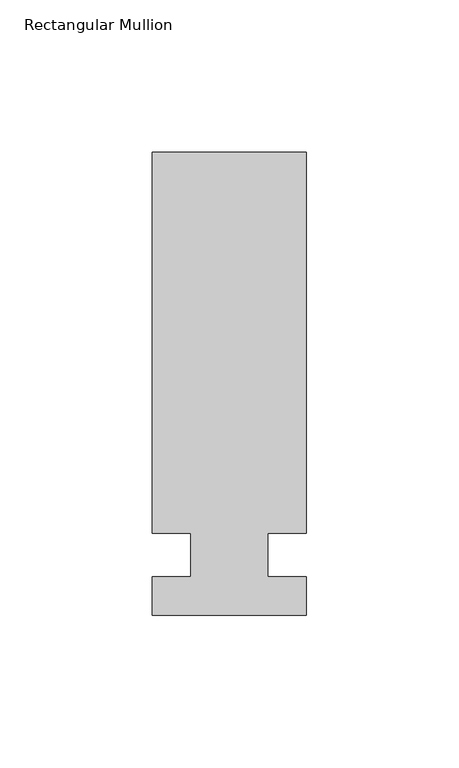
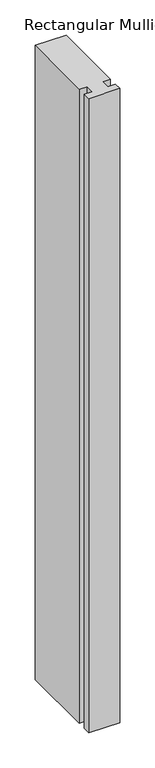
"""IFC4 building model written with IfcOpenShell, lengths in millimetres: member geometry, Rectangular Mullion."""

import ifcopenshell
import ifcopenshell.guid

model = None  # the IFC model being written
_history = None  # IfcOwnerHistory: only IFC2X3 demands one
_inside = {}  # id of a spatial element -> (the spatial element, [elements in it])
_under = {}  # id of a project, library or spatial element -> (it, [spatial elements below it])
_declared = {}  # id of a project -> (the project, [libraries it declares])
_typed = {}  # id of a type object -> (the type object, [elements of that type])
_made_of = {}  # id of a material, layer set ... -> (it, [elements and type objects made of it])


def new_model(schema):
    """Start an empty IFC model of exactly this schema.

    Asked for "IFC4X3", IfcOpenShell would pick the latest addendum, in which some entities
    have other attributes; the version numbers below select the first issue.
    IFC2X3 requires an IfcOwnerHistory on every rooted entity: one is made here for all.
    """
    global model, _history
    if schema == "IFC4X3":
        model = ifcopenshell.file(schema_version=(4, 3, 0, 0))
    else:
        model = ifcopenshell.file(schema=schema)
    _inside.clear()
    _under.clear()
    _declared.clear()
    _typed.clear()
    _made_of.clear()
    _history = None
    if model.schema == "IFC2X3":
        org = make("IfcOrganization", Name="unknown")
        user = make(
            "IfcPersonAndOrganization",
            ThePerson=make("IfcPerson", FamilyName="unknown"),
            TheOrganization=org,
        )
        app = make(
            "IfcApplication",
            ApplicationDeveloper=org,
            Version="unknown",
            ApplicationFullName="unknown",
            ApplicationIdentifier="unknown",
        )
        _history = make(
            "IfcOwnerHistory",
            OwningUser=user,
            OwningApplication=app,
            ChangeAction="ADDED",
            CreationDate=0,
        )
    return model


def make(cls, **values):
    """One entity of the class cls with the attributes given. An attribute that is None is left unset."""
    return model.create_entity(
        cls, **{name: value for name, value in values.items() if value is not None}
    )


def rooted(cls, **values):
    """An entity with a GlobalId (a new one), such as an element, a storey or a relation."""
    return make(cls, GlobalId=ifcopenshell.guid.new(), OwnerHistory=_history, **values)


def si_unit(unit_type, name, prefix=None):
    """IfcSIUnit, for example si_unit("LENGTHUNIT", "METRE", prefix="MILLI")."""
    return make("IfcSIUnit", UnitType=unit_type, Prefix=prefix, Name=name)


def assignment(units):
    """IfcUnitAssignment: the units of a project."""
    return None if units is None else make("IfcUnitAssignment", Units=units)


def point(xyz):
    """IfcCartesianPoint."""
    return None if xyz is None else make("IfcCartesianPoint", Coordinates=xyz)


def direction(xyz):
    """IfcDirection."""
    return None if xyz is None else make("IfcDirection", DirectionRatios=xyz)


def frame(location, z_axis=None, x_axis=None):
    """IfcAxis2Placement3D, a coordinate frame: its origin and axes. An axis left out is left unset."""
    return make(
        "IfcAxis2Placement3D",
        Location=point(location),
        Axis=direction(z_axis),
        RefDirection=direction(x_axis),
    )


def origin():
    """The frame at (0, 0, 0) with its axes left unset."""
    return frame((0.0, 0.0, 0.0))


def place(relative_to, where):
    """IfcLocalPlacement: puts the frame where relative to a parent placement (None: the world)."""
    return make(
        "IfcLocalPlacement", PlacementRelTo=relative_to, RelativePlacement=where
    )


def context(
    kind, dimensions, precision=None, world=None, true_north=None, identifier=None
):
    """IfcGeometricRepresentationContext, for example the 3D "Model" context."""
    return make(
        "IfcGeometricRepresentationContext",
        ContextIdentifier=identifier,
        ContextType=kind,
        CoordinateSpaceDimension=dimensions,
        Precision=precision,
        WorldCoordinateSystem=world,
        TrueNorth=true_north,
    )


def project(units=None, contexts=None):
    """IfcProject with its units and contexts."""
    return rooted(
        "IfcProject",
        Name="project",
        RepresentationContexts=contexts,
        UnitsInContext=assignment(units),
    )


def spatial(cls, under=None, at=None, **own):
    """A site, building, storey or space (cls), placed at a placement, below another one or the project."""
    s = rooted(cls, ObjectPlacement=at, **own)
    if under is not None:
        _under.setdefault(under.id(), (under, []))[1].append(s)
    return s


def polyline(points):
    """IfcPolyline through the points."""
    return make("IfcPolyline", Points=[point(p) for p in points])


def outline(outer, holes=None, kind="AREA"):
    """IfcArbitraryClosedProfileDef: a profile drawn as a closed curve; with holes, ...WithVoids."""
    if holes is None:
        return make("IfcArbitraryClosedProfileDef", ProfileType=kind, OuterCurve=outer)
    return make(
        "IfcArbitraryProfileDefWithVoids",
        ProfileType=kind,
        OuterCurve=outer,
        InnerCurves=holes,
    )


def extrude(swept, where, along, depth):
    """IfcExtrudedAreaSolid: the profile swept, set in the frame where, extruded along a direction by depth."""
    return make(
        "IfcExtrudedAreaSolid",
        SweptArea=swept,
        Position=where,
        ExtrudedDirection=direction(along),
        Depth=depth,
    )


def shape(context_of_items, identifier, shape_type, items):
    """IfcShapeRepresentation: the items that make up one representation, for example the "Body"."""
    return make(
        "IfcShapeRepresentation",
        ContextOfItems=context_of_items,
        RepresentationIdentifier=identifier,
        RepresentationType=shape_type,
        Items=items,
    )


def source(mapping_origin, context_of_items, identifier, shape_type, items):
    """IfcRepresentationMap: a shape defined once, which mapped items show again and again."""
    return make(
        "IfcRepresentationMap",
        MappingOrigin=mapping_origin,
        MappedRepresentation=shape(context_of_items, identifier, shape_type, items),
    )


def transform(
    local_origin,
    x_axis=None,
    y_axis=None,
    z_axis=None,
    scale=None,
    scale2=None,
    scale3=None,
    uniform=True,
):
    """IfcCartesianTransformationOperator3D, or its non-uniform kind. x_axis, y_axis, z_axis: its Axis1, 2, 3."""
    if uniform:
        return make(
            "IfcCartesianTransformationOperator3D",
            Axis1=direction(x_axis),
            Axis2=direction(y_axis),
            LocalOrigin=point(local_origin),
            Scale=scale,
            Axis3=direction(z_axis),
        )
    return make(
        "IfcCartesianTransformationOperator3DnonUniform",
        Axis1=direction(x_axis),
        Axis2=direction(y_axis),
        LocalOrigin=point(local_origin),
        Scale=scale,
        Axis3=direction(z_axis),
        Scale2=scale2,
        Scale3=scale3,
    )


def mapped(mapping_source, mapping_target):
    """IfcMappedItem: shows the shape of a source again, moved by a transform."""
    return make(
        "IfcMappedItem", MappingSource=mapping_source, MappingTarget=mapping_target
    )


def made_of(thing, what):
    """Note that an element or type object is made of a material, layer set ...; save() writes the relation."""
    if what is not None:
        _made_of.setdefault(what.id(), (what, []))[1].append(thing)
    return thing


def element(
    cls,
    number,
    at=None,
    inside=None,
    cuts=None,
    type_object=None,
    material=None,
    context=None,
    identifier="Body",
    shape_type=None,
    held_by="IfcProductDefinitionShape",
    body=None,
    shapes=None,
    **own,
):
    """One element of the class cls, such as IfcWall. Its Tag is "e" and its number.

    at: its placement. inside: the storey or other place that contains it. cuts: it is an
    opening in that element (IfcRelVoidsElement). A single representation is given by context,
    identifier, shape_type and body (its items); several are given by shapes. held_by: the class
    of the entity that holds the representations. save() writes the other relations.
    """
    e = rooted(cls, Tag="e%d" % number, ObjectPlacement=at, **own)
    if body is not None:
        shapes = [shape(context, identifier, shape_type, body)]
    if shapes is not None:
        e.Representation = make(held_by, Representations=shapes)
    if inside is not None:
        _inside.setdefault(inside.id(), (inside, []))[1].append(e)
    if cuts is not None:
        rooted(
            "IfcRelVoidsElement", RelatingBuildingElement=cuts, RelatedOpeningElement=e
        )
    if type_object is not None:
        _typed.setdefault(type_object.id(), (type_object, []))[1].append(e)
    return made_of(e, material)


def aggregate(whole, parts):
    """IfcRelAggregates: a whole, such as a stair, and the parts it consists of."""
    return rooted("IfcRelAggregates", RelatingObject=whole, RelatedObjects=parts)


def save(model, path):
    """Write the relations noted so far, then the file.

    IfcRelAggregates (storeys below a building ...), IfcRelContainedInSpatialStructure (elements
    in a storey), IfcRelDefinesByType, IfcRelAssociatesMaterial and IfcRelDeclares: one each for
    every whole, place, type object, material and project.
    """
    for whole, parts in _under.values():
        aggregate(whole, parts)
    for where, things in _inside.values():
        rooted(
            "IfcRelContainedInSpatialStructure",
            RelatedElements=things,
            RelatingStructure=where,
        )
    for kind, things in _typed.values():
        rooted("IfcRelDefinesByType", RelatedObjects=things, RelatingType=kind)
    for what, things in _made_of.values():
        rooted("IfcRelAssociatesMaterial", RelatedObjects=things, RelatingMaterial=what)
    for by, libraries in _declared.values():
        rooted("IfcRelDeclares", RelatingContext=by, RelatedDefinitions=libraries)
    model.write(path)


def rectangular_mullion_82384489(model_context):
    return source(origin(), model_context, "Body", "SweptSolid", [
        extrude(outline(polyline([(29.7344027, 132.55625), (29.7344027, 7.14375), (17.0326322, 7.14375), (17.0326322, -7.14375), (29.7344027, -7.14375), (29.7344027, -19.84375), (-21.0655973, -19.84375), (-21.0655973, -7.14375), (-8.3655973, -7.14375), (-8.3655973, 7.14375), (-21.0655973, 7.14375), (-21.0655973, 132.55625), (29.7344027, 132.55625)])), frame((0.0, 0.0, -1099.7094027), z_axis=(0.0, 0.0, 1.0), x_axis=(1.0, 0.0, 0.0)), (0.0, 0.0, 1.0), 1099.7094027),
    ])


if __name__ == "__main__":
    model = new_model("IFC4")
    model_context = context("Model", 3, world=origin())
    ifc_project = project(units=[si_unit("LENGTHUNIT", "METRE", prefix="MILLI")], contexts=[model_context])
    site = spatial("IfcSite", under=ifc_project)
    building = spatial("IfcBuilding", under=site)
    placement = place(None, origin())
    rectangular_mullion_shape = rectangular_mullion_82384489(model_context)
    element("IfcMember", 1, ObjectType="Rectangular Mullion", at=placement, inside=building, context=model_context, shape_type="MappedRepresentation", body=[
        mapped(rectangular_mullion_shape, transform((0.0, 0.0, 0.0), x_axis=(1.0, 0.0, 0.0), y_axis=(0.0, 1.0, 0.0), z_axis=(0.0, 0.0, 1.0))),
    ])
    save(model, "model.ifc")
